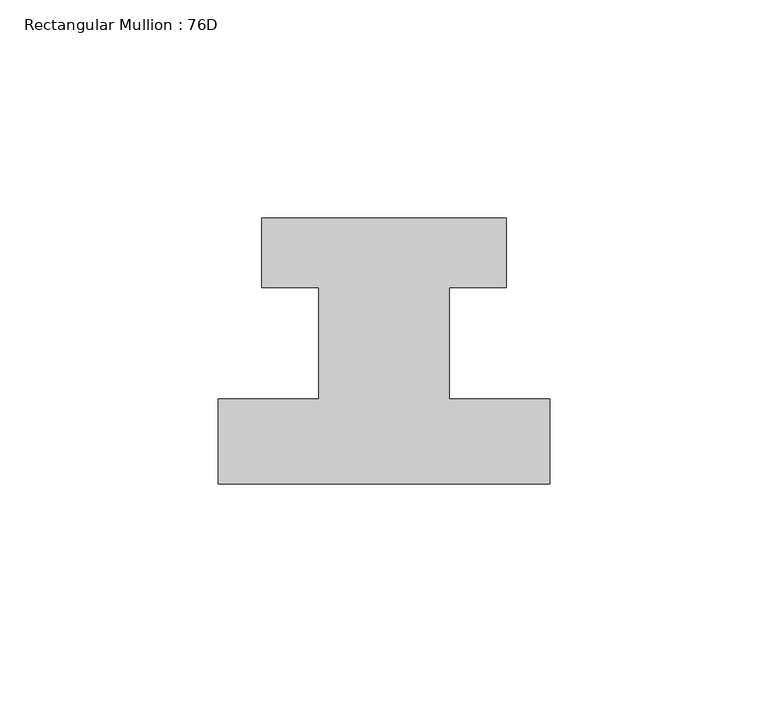
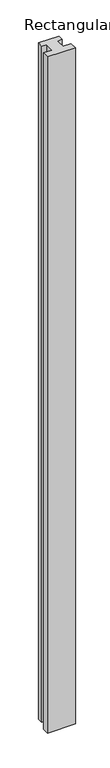
"""IFC4 building model written with IfcOpenShell, lengths in millimetres: member geometry, Rectangular Mullion : 76D."""

import ifcopenshell
import ifcopenshell.guid

model = None  # the IFC model being written
_history = None  # IfcOwnerHistory: only IFC2X3 demands one
_inside = {}  # id of a spatial element -> (the spatial element, [elements in it])
_under = {}  # id of a project, library or spatial element -> (it, [spatial elements below it])
_declared = {}  # id of a project -> (the project, [libraries it declares])
_typed = {}  # id of a type object -> (the type object, [elements of that type])
_made_of = {}  # id of a material, layer set ... -> (it, [elements and type objects made of it])


def new_model(schema):
    """Start an empty IFC model of exactly this schema.

    Asked for "IFC4X3", IfcOpenShell would pick the latest addendum, in which some entities
    have other attributes; the version numbers below select the first issue.
    IFC2X3 requires an IfcOwnerHistory on every rooted entity: one is made here for all.
    """
    global model, _history
    if schema == "IFC4X3":
        model = ifcopenshell.file(schema_version=(4, 3, 0, 0))
    else:
        model = ifcopenshell.file(schema=schema)
    _inside.clear()
    _under.clear()
    _declared.clear()
    _typed.clear()
    _made_of.clear()
    _history = None
    if model.schema == "IFC2X3":
        org = make("IfcOrganization", Name="unknown")
        user = make(
            "IfcPersonAndOrganization",
            ThePerson=make("IfcPerson", FamilyName="unknown"),
            TheOrganization=org,
        )
        app = make(
            "IfcApplication",
            ApplicationDeveloper=org,
            Version="unknown",
            ApplicationFullName="unknown",
            ApplicationIdentifier="unknown",
        )
        _history = make(
            "IfcOwnerHistory",
            OwningUser=user,
            OwningApplication=app,
            ChangeAction="ADDED",
            CreationDate=0,
        )
    return model


def make(cls, **values):
    """One entity of the class cls with the attributes given. An attribute that is None is left unset."""
    return model.create_entity(
        cls, **{name: value for name, value in values.items() if value is not None}
    )


def rooted(cls, **values):
    """An entity with a GlobalId (a new one), such as an element, a storey or a relation."""
    return make(cls, GlobalId=ifcopenshell.guid.new(), OwnerHistory=_history, **values)


def si_unit(unit_type, name, prefix=None):
    """IfcSIUnit, for example si_unit("LENGTHUNIT", "METRE", prefix="MILLI")."""
    return make("IfcSIUnit", UnitType=unit_type, Prefix=prefix, Name=name)


def assignment(units):
    """IfcUnitAssignment: the units of a project."""
    return None if units is None else make("IfcUnitAssignment", Units=units)


def point(xyz):
    """IfcCartesianPoint."""
    return None if xyz is None else make("IfcCartesianPoint", Coordinates=xyz)


def direction(xyz):
    """IfcDirection."""
    return None if xyz is None else make("IfcDirection", DirectionRatios=xyz)


def frame(location, z_axis=None, x_axis=None):
    """IfcAxis2Placement3D, a coordinate frame: its origin and axes. An axis left out is left unset."""
    return make(
        "IfcAxis2Placement3D",
        Location=point(location),
        Axis=direction(z_axis),
        RefDirection=direction(x_axis),
    )


def origin():
    """The frame at (0, 0, 0) with its axes left unset."""
    return frame((0.0, 0.0, 0.0))


def place(relative_to, where):
    """IfcLocalPlacement: puts the frame where relative to a parent placement (None: the world)."""
    return make(
        "IfcLocalPlacement", PlacementRelTo=relative_to, RelativePlacement=where
    )


def context(
    kind, dimensions, precision=None, world=None, true_north=None, identifier=None
):
    """IfcGeometricRepresentationContext, for example the 3D "Model" context."""
    return make(
        "IfcGeometricRepresentationContext",
        ContextIdentifier=identifier,
        ContextType=kind,
        CoordinateSpaceDimension=dimensions,
        Precision=precision,
        WorldCoordinateSystem=world,
        TrueNorth=true_north,
    )


def project(units=None, contexts=None):
    """IfcProject with its units and contexts."""
    return rooted(
        "IfcProject",
        Name="project",
        RepresentationContexts=contexts,
        UnitsInContext=assignment(units),
    )


def spatial(cls, under=None, at=None, **own):
    """A site, building, storey or space (cls), placed at a placement, below another one or the project."""
    s = rooted(cls, ObjectPlacement=at, **own)
    if under is not None:
        _under.setdefault(under.id(), (under, []))[1].append(s)
    return s


def polyline(points):
    """IfcPolyline through the points."""
    return make("IfcPolyline", Points=[point(p) for p in points])


def outline(outer, holes=None, kind="AREA"):
    """IfcArbitraryClosedProfileDef: a profile drawn as a closed curve; with holes, ...WithVoids."""
    if holes is None:
        return make("IfcArbitraryClosedProfileDef", ProfileType=kind, OuterCurve=outer)
    return make(
        "IfcArbitraryProfileDefWithVoids",
        ProfileType=kind,
        OuterCurve=outer,
        InnerCurves=holes,
    )


def extrude(swept, where, along, depth):
    """IfcExtrudedAreaSolid: the profile swept, set in the frame where, extruded along a direction by depth."""
    return make(
        "IfcExtrudedAreaSolid",
        SweptArea=swept,
        Position=where,
        ExtrudedDirection=direction(along),
        Depth=depth,
    )


def shape(context_of_items, identifier, shape_type, items):
    """IfcShapeRepresentation: the items that make up one representation, for example the "Body"."""
    return make(
        "IfcShapeRepresentation",
        ContextOfItems=context_of_items,
        RepresentationIdentifier=identifier,
        RepresentationType=shape_type,
        Items=items,
    )


def source(mapping_origin, context_of_items, identifier, shape_type, items):
    """IfcRepresentationMap: a shape defined once, which mapped items show again and again."""
    return make(
        "IfcRepresentationMap",
        MappingOrigin=mapping_origin,
        MappedRepresentation=shape(context_of_items, identifier, shape_type, items),
    )


def transform(
    local_origin,
    x_axis=None,
    y_axis=None,
    z_axis=None,
    scale=None,
    scale2=None,
    scale3=None,
    uniform=True,
):
    """IfcCartesianTransformationOperator3D, or its non-uniform kind. x_axis, y_axis, z_axis: its Axis1, 2, 3."""
    if uniform:
        return make(
            "IfcCartesianTransformationOperator3D",
            Axis1=direction(x_axis),
            Axis2=direction(y_axis),
            LocalOrigin=point(local_origin),
            Scale=scale,
            Axis3=direction(z_axis),
        )
    return make(
        "IfcCartesianTransformationOperator3DnonUniform",
        Axis1=direction(x_axis),
        Axis2=direction(y_axis),
        LocalOrigin=point(local_origin),
        Scale=scale,
        Axis3=direction(z_axis),
        Scale2=scale2,
        Scale3=scale3,
    )


def mapped(mapping_source, mapping_target):
    """IfcMappedItem: shows the shape of a source again, moved by a transform."""
    return make(
        "IfcMappedItem", MappingSource=mapping_source, MappingTarget=mapping_target
    )


def made_of(thing, what):
    """Note that an element or type object is made of a material, layer set ...; save() writes the relation."""
    if what is not None:
        _made_of.setdefault(what.id(), (what, []))[1].append(thing)
    return thing


def element(
    cls,
    number,
    at=None,
    inside=None,
    cuts=None,
    type_object=None,
    material=None,
    context=None,
    identifier="Body",
    shape_type=None,
    held_by="IfcProductDefinitionShape",
    body=None,
    shapes=None,
    **own,
):
    """One element of the class cls, such as IfcWall. Its Tag is "e" and its number.

    at: its placement. inside: the storey or other place that contains it. cuts: it is an
    opening in that element (IfcRelVoidsElement). A single representation is given by context,
    identifier, shape_type and body (its items); several are given by shapes. held_by: the class
    of the entity that holds the representations. save() writes the other relations.
    """
    e = rooted(cls, Tag="e%d" % number, ObjectPlacement=at, **own)
    if body is not None:
        shapes = [shape(context, identifier, shape_type, body)]
    if shapes is not None:
        e.Representation = make(held_by, Representations=shapes)
    if inside is not None:
        _inside.setdefault(inside.id(), (inside, []))[1].append(e)
    if cuts is not None:
        rooted(
            "IfcRelVoidsElement", RelatingBuildingElement=cuts, RelatedOpeningElement=e
        )
    if type_object is not None:
        _typed.setdefault(type_object.id(), (type_object, []))[1].append(e)
    return made_of(e, material)


def aggregate(whole, parts):
    """IfcRelAggregates: a whole, such as a stair, and the parts it consists of."""
    return rooted("IfcRelAggregates", RelatingObject=whole, RelatedObjects=parts)


def save(model, path):
    """Write the relations noted so far, then the file.

    IfcRelAggregates (storeys below a building ...), IfcRelContainedInSpatialStructure (elements
    in a storey), IfcRelDefinesByType, IfcRelAssociatesMaterial and IfcRelDeclares: one each for
    every whole, place, type object, material and project.
    """
    for whole, parts in _under.values():
        aggregate(whole, parts)
    for where, things in _inside.values():
        rooted(
            "IfcRelContainedInSpatialStructure",
            RelatedElements=things,
            RelatingStructure=where,
        )
    for kind, things in _typed.values():
        rooted("IfcRelDefinesByType", RelatedObjects=things, RelatingType=kind)
    for what, things in _made_of.values():
        rooted("IfcRelAssociatesMaterial", RelatedObjects=things, RelatingMaterial=what)
    for by, libraries in _declared.values():
        rooted("IfcRelDeclares", RelatingContext=by, RelatedDefinitions=libraries)
    model.write(path)


def rectangular_mullion_76d_fff160d4(model_context):
    return source(origin(), model_context, "Body", "SweptSolid", [
        extrude(outline(polyline([(38.0, -20.0), (-38.0, -20.0), (-38.0, -0.5), (-15.0, -0.5), (-15.0, 25.0), (-28.0, 25.0), (-28.0, 41.0), (28.0, 41.0), (28.0, 25.0), (15.0, 25.0), (15.0, -0.5), (38.0, -0.5), (38.0, -20.0)])), frame((0.0, 0.0, -1955.0), z_axis=(0.0, 0.0, 1.0), x_axis=(1.0, 0.0, 0.0)), (0.0, 0.0, 1.0), 1955.0),
    ])


if __name__ == "__main__":
    model = new_model("IFC4")
    model_context = context("Model", 3, world=origin())
    ifc_project = project(units=[si_unit("LENGTHUNIT", "METRE", prefix="MILLI")], contexts=[model_context])
    site = spatial("IfcSite", under=ifc_project)
    building = spatial("IfcBuilding", under=site)
    placement = place(None, origin())
    rectangular_mullion_76d_shape = rectangular_mullion_76d_fff160d4(model_context)
    element("IfcMember", 1, ObjectType="Rectangular Mullion : 76D", at=placement, inside=building, context=model_context, shape_type="MappedRepresentation", body=[
        mapped(rectangular_mullion_76d_shape, transform((0.0, 0.0, 0.0), x_axis=(1.0, 0.0, 0.0), y_axis=(0.0, 1.0, 0.0), z_axis=(0.0, 0.0, 1.0))),
    ])
    save(model, "model.ifc")
